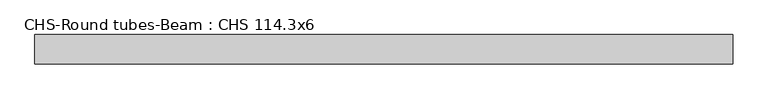
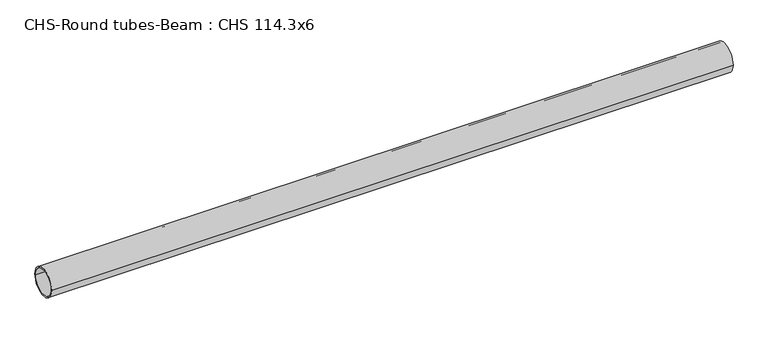
"""IFC4 building model written with IfcOpenShell, lengths in millimetres: beam geometry, CHS-Round tubes-Beam : CHS 114.3x6."""

from ifc_helpers import new_model, si_unit, point, frame, origin, origin_2d, place, context, project, spatial, circle_curve, trimmed, segment, composite_curve, outline, extrude, source, transform, mapped, element, save


def chs_round_tubes_beam_chs_114_3x6_963bf19b(model_context):
    return source(origin(), model_context, "Body", "SweptSolid", [
        extrude(outline(composite_curve([segment(trimmed(circle_curve(origin_2d(), 57.15), [point((57.15, 0.0))], [point((-57.15, 0.0))], False, "CARTESIAN"), True, "CONTINUOUS"), segment(trimmed(circle_curve(origin_2d(), 57.15), [point((-57.15, 0.0))], [point((57.15, 0.0))], False, "CARTESIAN"), True, "CONTINUOUS")], self_intersect=False), holes=[composite_curve([segment(trimmed(circle_curve(origin_2d(), 51.15), [point((51.15, 0.0))], [point((-51.15, 0.0))], True, "CARTESIAN"), True, "CONTINUOUS"), segment(trimmed(circle_curve(origin_2d(), 51.15), [point((-51.15, 0.0))], [point((51.15, 0.0))], True, "CARTESIAN"), True, "CONTINUOUS")], self_intersect=False)]), frame((-1308.6299148, 0.0, 0.0), z_axis=(1.0, 0.0, 0.0), x_axis=(0.0, 1.0, 0.0)), (0.0, 0.0, 1.0), 2702.1087989),
    ])


if __name__ == "__main__":
    model = new_model("IFC4")
    model_context = context("Model", 3, world=origin())
    ifc_project = project(units=[si_unit("LENGTHUNIT", "METRE", prefix="MILLI")], contexts=[model_context])
    site = spatial("IfcSite", under=ifc_project)
    building = spatial("IfcBuilding", under=site)
    placement = place(None, origin())
    chs_round_tubes_beam_chs_114_3x6_shape = chs_round_tubes_beam_chs_114_3x6_963bf19b(model_context)
    element("IfcBeam", 1, ObjectType="CHS-Round tubes-Beam : CHS 114.3x6", at=placement, inside=building, context=model_context, shape_type="MappedRepresentation", body=[
        mapped(chs_round_tubes_beam_chs_114_3x6_shape, transform((0.0, 0.0, 0.0), x_axis=(1.0, 0.0, 0.0), y_axis=(0.0, 1.0, 0.0), z_axis=(0.0, 0.0, 1.0))),
    ])
    save(model, "model.ifc")
